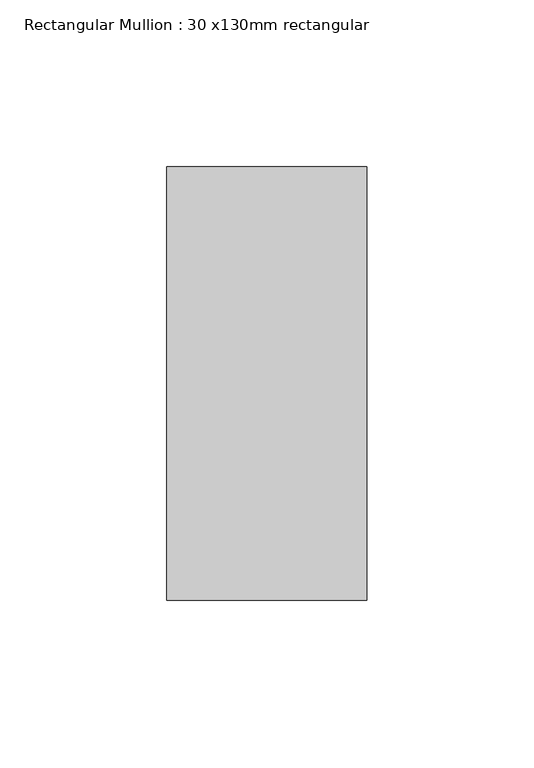
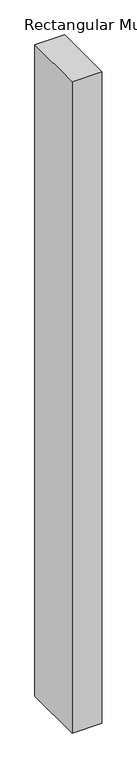
"""IFC4 building model written with IfcOpenShell, lengths in millimetres: member geometry, Rectangular Mullion : 30 x130mm rectangular."""

from ifc_helpers import new_model, si_unit, frame, origin, place, context, project, spatial, polyline, outline, extrude, source, transform, mapped, element, save


def rectangular_mullion_30_x130mm_rectangular_5b88b20f(model_context):
    return source(origin(), model_context, "Body", "SweptSolid", [
        extrude(outline(polyline([(30.0, 65.0), (30.0, -65.0), (-30.0, -65.0), (-30.0, 65.0), (30.0, 65.0)])), frame((0.0, 0.0, -1390.6666667), z_axis=(0.0, 0.0, 1.0), x_axis=(1.0, 0.0, 0.0)), (0.0, 0.0, 1.0), 1390.6666667),
    ])


if __name__ == "__main__":
    model = new_model("IFC4")
    model_context = context("Model", 3, world=origin())
    ifc_project = project(units=[si_unit("LENGTHUNIT", "METRE", prefix="MILLI")], contexts=[model_context])
    site = spatial("IfcSite", under=ifc_project)
    building = spatial("IfcBuilding", under=site)
    placement = place(None, origin())
    rectangular_mullion_30_x130mm_rectangular_shape = rectangular_mullion_30_x130mm_rectangular_5b88b20f(model_context)
    element("IfcMember", 1, ObjectType="Rectangular Mullion : 30 x130mm rectangular", at=placement, inside=building, context=model_context, shape_type="MappedRepresentation", body=[
        mapped(rectangular_mullion_30_x130mm_rectangular_shape, transform((0.0, 0.0, 0.0), x_axis=(1.0, 0.0, 0.0), y_axis=(0.0, 1.0, 0.0), z_axis=(0.0, 0.0, 1.0))),
    ])
    save(model, "model.ifc")
